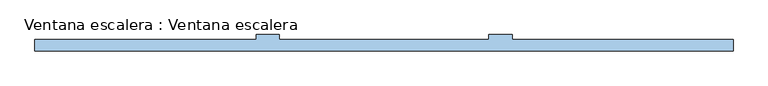
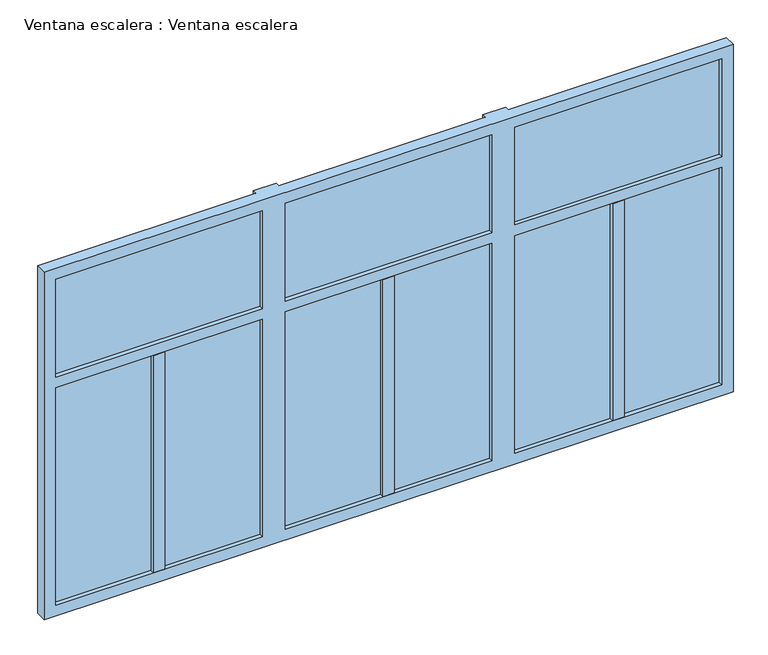
"""IFC4 building model written with IfcOpenShell, lengths in millimetres: window geometry, Ventana escalera : Ventana escalera."""

import ifcopenshell
import ifcopenshell.guid

model = None  # the IFC model being written
_history = None  # IfcOwnerHistory: only IFC2X3 demands one
_inside = {}  # id of a spatial element -> (the spatial element, [elements in it])
_under = {}  # id of a project, library or spatial element -> (it, [spatial elements below it])
_declared = {}  # id of a project -> (the project, [libraries it declares])
_typed = {}  # id of a type object -> (the type object, [elements of that type])
_made_of = {}  # id of a material, layer set ... -> (it, [elements and type objects made of it])


def new_model(schema):
    """Start an empty IFC model of exactly this schema.

    Asked for "IFC4X3", IfcOpenShell would pick the latest addendum, in which some entities
    have other attributes; the version numbers below select the first issue.
    IFC2X3 requires an IfcOwnerHistory on every rooted entity: one is made here for all.
    """
    global model, _history
    if schema == "IFC4X3":
        model = ifcopenshell.file(schema_version=(4, 3, 0, 0))
    else:
        model = ifcopenshell.file(schema=schema)
    _inside.clear()
    _under.clear()
    _declared.clear()
    _typed.clear()
    _made_of.clear()
    _history = None
    if model.schema == "IFC2X3":
        org = make("IfcOrganization", Name="unknown")
        user = make(
            "IfcPersonAndOrganization",
            ThePerson=make("IfcPerson", FamilyName="unknown"),
            TheOrganization=org,
        )
        app = make(
            "IfcApplication",
            ApplicationDeveloper=org,
            Version="unknown",
            ApplicationFullName="unknown",
            ApplicationIdentifier="unknown",
        )
        _history = make(
            "IfcOwnerHistory",
            OwningUser=user,
            OwningApplication=app,
            ChangeAction="ADDED",
            CreationDate=0,
        )
    return model


def make(cls, **values):
    """One entity of the class cls with the attributes given. An attribute that is None is left unset."""
    return model.create_entity(
        cls, **{name: value for name, value in values.items() if value is not None}
    )


def rooted(cls, **values):
    """An entity with a GlobalId (a new one), such as an element, a storey or a relation."""
    return make(cls, GlobalId=ifcopenshell.guid.new(), OwnerHistory=_history, **values)


def si_unit(unit_type, name, prefix=None):
    """IfcSIUnit, for example si_unit("LENGTHUNIT", "METRE", prefix="MILLI")."""
    return make("IfcSIUnit", UnitType=unit_type, Prefix=prefix, Name=name)


def assignment(units):
    """IfcUnitAssignment: the units of a project."""
    return None if units is None else make("IfcUnitAssignment", Units=units)


def point(xyz):
    """IfcCartesianPoint."""
    return None if xyz is None else make("IfcCartesianPoint", Coordinates=xyz)


def direction(xyz):
    """IfcDirection."""
    return None if xyz is None else make("IfcDirection", DirectionRatios=xyz)


def frame(location, z_axis=None, x_axis=None):
    """IfcAxis2Placement3D, a coordinate frame: its origin and axes. An axis left out is left unset."""
    return make(
        "IfcAxis2Placement3D",
        Location=point(location),
        Axis=direction(z_axis),
        RefDirection=direction(x_axis),
    )


def origin():
    """The frame at (0, 0, 0) with its axes left unset."""
    return frame((0.0, 0.0, 0.0))


def place(relative_to, where):
    """IfcLocalPlacement: puts the frame where relative to a parent placement (None: the world)."""
    return make(
        "IfcLocalPlacement", PlacementRelTo=relative_to, RelativePlacement=where
    )


def context(
    kind, dimensions, precision=None, world=None, true_north=None, identifier=None
):
    """IfcGeometricRepresentationContext, for example the 3D "Model" context."""
    return make(
        "IfcGeometricRepresentationContext",
        ContextIdentifier=identifier,
        ContextType=kind,
        CoordinateSpaceDimension=dimensions,
        Precision=precision,
        WorldCoordinateSystem=world,
        TrueNorth=true_north,
    )


def project(units=None, contexts=None):
    """IfcProject with its units and contexts."""
    return rooted(
        "IfcProject",
        Name="project",
        RepresentationContexts=contexts,
        UnitsInContext=assignment(units),
    )


def spatial(cls, under=None, at=None, **own):
    """A site, building, storey or space (cls), placed at a placement, below another one or the project."""
    s = rooted(cls, ObjectPlacement=at, **own)
    if under is not None:
        _under.setdefault(under.id(), (under, []))[1].append(s)
    return s


def polyline(points):
    """IfcPolyline through the points."""
    return make("IfcPolyline", Points=[point(p) for p in points])


def outline(outer, holes=None, kind="AREA"):
    """IfcArbitraryClosedProfileDef: a profile drawn as a closed curve; with holes, ...WithVoids."""
    if holes is None:
        return make("IfcArbitraryClosedProfileDef", ProfileType=kind, OuterCurve=outer)
    return make(
        "IfcArbitraryProfileDefWithVoids",
        ProfileType=kind,
        OuterCurve=outer,
        InnerCurves=holes,
    )


def extrude(swept, where, along, depth):
    """IfcExtrudedAreaSolid: the profile swept, set in the frame where, extruded along a direction by depth."""
    return make(
        "IfcExtrudedAreaSolid",
        SweptArea=swept,
        Position=where,
        ExtrudedDirection=direction(along),
        Depth=depth,
    )


def faces_of(points, faces, orient=None, outer=None):
    """IfcFace entities. A face is a list of loops; a loop is a list of indices into points, from 0.

    orient and outer hold one flag for each loop. By default every Orientation is true, the
    first loop of a face is its IfcFaceOuterBound and the others are IfcFaceBound.
    """
    made = []
    for i, loops in enumerate(faces):
        bounds = []
        for j, loop in enumerate(loops):
            is_outer = j == 0 if outer is None else outer[i][j]
            bounds.append(
                make(
                    "IfcFaceOuterBound" if is_outer else "IfcFaceBound",
                    Bound=make("IfcPolyLoop", Polygon=[points[k] for k in loop]),
                    Orientation=True if orient is None else orient[i][j],
                )
            )
        made.append(make("IfcFace", Bounds=bounds))
    return made


def faceted_brep(points, faces, orient=None, outer=None, voids=None):
    """IfcFacetedBrep: a solid bounded by flat faces; with voids (closed shells), ...WithVoids."""
    shared = [point(p) for p in points]
    hull = make("IfcClosedShell", CfsFaces=faces_of(shared, faces, orient, outer))
    if voids is None:
        return make("IfcFacetedBrep", Outer=hull)
    return make(
        "IfcFacetedBrepWithVoids",
        Outer=hull,
        Voids=[
            make(cls, CfsFaces=faces_of(shared, fs, o, b)) for cls, fs, o, b in voids
        ],
    )


def shape(context_of_items, identifier, shape_type, items):
    """IfcShapeRepresentation: the items that make up one representation, for example the "Body"."""
    return make(
        "IfcShapeRepresentation",
        ContextOfItems=context_of_items,
        RepresentationIdentifier=identifier,
        RepresentationType=shape_type,
        Items=items,
    )


def source(mapping_origin, context_of_items, identifier, shape_type, items):
    """IfcRepresentationMap: a shape defined once, which mapped items show again and again."""
    return make(
        "IfcRepresentationMap",
        MappingOrigin=mapping_origin,
        MappedRepresentation=shape(context_of_items, identifier, shape_type, items),
    )


def transform(
    local_origin,
    x_axis=None,
    y_axis=None,
    z_axis=None,
    scale=None,
    scale2=None,
    scale3=None,
    uniform=True,
):
    """IfcCartesianTransformationOperator3D, or its non-uniform kind. x_axis, y_axis, z_axis: its Axis1, 2, 3."""
    if uniform:
        return make(
            "IfcCartesianTransformationOperator3D",
            Axis1=direction(x_axis),
            Axis2=direction(y_axis),
            LocalOrigin=point(local_origin),
            Scale=scale,
            Axis3=direction(z_axis),
        )
    return make(
        "IfcCartesianTransformationOperator3DnonUniform",
        Axis1=direction(x_axis),
        Axis2=direction(y_axis),
        LocalOrigin=point(local_origin),
        Scale=scale,
        Axis3=direction(z_axis),
        Scale2=scale2,
        Scale3=scale3,
    )


def mapped(mapping_source, mapping_target):
    """IfcMappedItem: shows the shape of a source again, moved by a transform."""
    return make(
        "IfcMappedItem", MappingSource=mapping_source, MappingTarget=mapping_target
    )


def made_of(thing, what):
    """Note that an element or type object is made of a material, layer set ...; save() writes the relation."""
    if what is not None:
        _made_of.setdefault(what.id(), (what, []))[1].append(thing)
    return thing


def element(
    cls,
    number,
    at=None,
    inside=None,
    cuts=None,
    type_object=None,
    material=None,
    context=None,
    identifier="Body",
    shape_type=None,
    held_by="IfcProductDefinitionShape",
    body=None,
    shapes=None,
    **own,
):
    """One element of the class cls, such as IfcWall. Its Tag is "e" and its number.

    at: its placement. inside: the storey or other place that contains it. cuts: it is an
    opening in that element (IfcRelVoidsElement). A single representation is given by context,
    identifier, shape_type and body (its items); several are given by shapes. held_by: the class
    of the entity that holds the representations. save() writes the other relations.
    """
    e = rooted(cls, Tag="e%d" % number, ObjectPlacement=at, **own)
    if body is not None:
        shapes = [shape(context, identifier, shape_type, body)]
    if shapes is not None:
        e.Representation = make(held_by, Representations=shapes)
    if inside is not None:
        _inside.setdefault(inside.id(), (inside, []))[1].append(e)
    if cuts is not None:
        rooted(
            "IfcRelVoidsElement", RelatingBuildingElement=cuts, RelatedOpeningElement=e
        )
    if type_object is not None:
        _typed.setdefault(type_object.id(), (type_object, []))[1].append(e)
    return made_of(e, material)


def aggregate(whole, parts):
    """IfcRelAggregates: a whole, such as a stair, and the parts it consists of."""
    return rooted("IfcRelAggregates", RelatingObject=whole, RelatedObjects=parts)


def save(model, path):
    """Write the relations noted so far, then the file.

    IfcRelAggregates (storeys below a building ...), IfcRelContainedInSpatialStructure (elements
    in a storey), IfcRelDefinesByType, IfcRelAssociatesMaterial and IfcRelDeclares: one each for
    every whole, place, type object, material and project.
    """
    for whole, parts in _under.values():
        aggregate(whole, parts)
    for where, things in _inside.values():
        rooted(
            "IfcRelContainedInSpatialStructure",
            RelatedElements=things,
            RelatingStructure=where,
        )
    for kind, things in _typed.values():
        rooted("IfcRelDefinesByType", RelatedObjects=things, RelatingType=kind)
    for what, things in _made_of.values():
        rooted("IfcRelAssociatesMaterial", RelatedObjects=things, RelatingMaterial=what)
    for by, libraries in _declared.values():
        rooted("IfcRelDeclares", RelatingContext=by, RelatedDefinitions=libraries)
    model.write(path)


def ventana_escalera_ventana_escalera_ea8a2618(model_context):
    return source(origin(), model_context, "Body", "SolidModel", [
        extrude(outline(polyline([(-550.0, -93.5), (-550.0, -106.5), (-1450.0, -106.5), (-1450.0, -93.5), (-550.0, -93.5)])), frame((0.0, 0.0, 1850.0), z_axis=(0.0, 0.0, 1.0), x_axis=(1.0, 0.0, 0.0)), (0.0, 0.0, 1.0), 450.0),
        extrude(outline(polyline([(450.0, -93.5), (450.0, -106.5), (-450.0, -106.5), (-450.0, -93.5), (450.0, -93.5)])), frame((0.0, 0.0, 1850.0), z_axis=(0.0, 0.0, 1.0), x_axis=(1.0, 0.0, 0.0)), (0.0, 0.0, 1.0), 450.0),
        extrude(outline(polyline([(1450.0, -93.5), (1450.0, -106.5), (550.0, -106.5), (550.0, -93.5), (1450.0, -93.5)])), frame((0.0, 0.0, 1850.0), z_axis=(0.0, 0.0, 1.0), x_axis=(1.0, 0.0, 0.0)), (0.0, 0.0, 1.0), 450.0),
        extrude(outline(polyline([(1450.0, -93.5), (1450.0, -106.5), (1025.0, -106.5), (1025.0, -93.5), (1450.0, -93.5)])), frame((0.0, 0.0, 800.0), z_axis=(0.0, 0.0, 1.0), x_axis=(1.0, 0.0, 0.0)), (0.0, 0.0, 1.0), 1000.0),
        extrude(outline(polyline([(975.0, -93.5), (975.0, -106.5), (550.0, -106.5), (550.0, -93.5), (975.0, -93.5)])), frame((0.0, 0.0, 800.0), z_axis=(0.0, 0.0, 1.0), x_axis=(1.0, 0.0, 0.0)), (0.0, 0.0, 1.0), 1000.0),
        extrude(outline(polyline([(450.0, -93.5), (450.0, -106.5), (25.0, -106.5), (25.0, -93.5), (450.0, -93.5)])), frame((0.0, 0.0, 800.0), z_axis=(0.0, 0.0, 1.0), x_axis=(1.0, 0.0, 0.0)), (0.0, 0.0, 1.0), 1000.0),
        extrude(outline(polyline([(-25.0, -93.5), (-25.0, -106.5), (-450.0, -106.5), (-450.0, -93.5), (-25.0, -93.5)])), frame((0.0, 0.0, 800.0), z_axis=(0.0, 0.0, 1.0), x_axis=(1.0, 0.0, 0.0)), (0.0, 0.0, 1.0), 1000.0),
        extrude(outline(polyline([(-550.0, -93.5), (-550.0, -106.5), (-975.0, -106.5), (-975.0, -93.5), (-550.0, -93.5)])), frame((0.0, 0.0, 800.0), z_axis=(0.0, 0.0, 1.0), x_axis=(1.0, 0.0, 0.0)), (0.0, 0.0, 1.0), 1000.0),
        extrude(outline(polyline([(-1025.0, -93.5), (-1025.0, -106.5), (-1450.0, -106.5), (-1450.0, -93.5), (-1025.0, -93.5)])), frame((0.0, 0.0, 800.0), z_axis=(0.0, 0.0, 1.0), x_axis=(1.0, 0.0, 0.0)), (0.0, 0.0, 1.0), 1000.0),
        extrude(outline(polyline([(975.0, -125.0), (975.0, -75.0), (1025.0, -75.0), (1025.0, -125.0), (975.0, -125.0)])), frame((0.0, 0.0, 800.0), z_axis=(0.0, 0.0, 1.0), x_axis=(1.0, 0.0, 0.0)), (0.0, 0.0, 1.0), 1000.0),
        extrude(outline(polyline([(-25.0, -125.0), (-25.0, -75.0), (25.0, -75.0), (25.0, -125.0), (-25.0, -125.0)])), frame((0.0, 0.0, 800.0), z_axis=(0.0, 0.0, 1.0), x_axis=(1.0, 0.0, 0.0)), (0.0, 0.0, 1.0), 1000.0),
        extrude(outline(polyline([(-1025.0, -125.0), (-1025.0, -75.0), (-975.0, -75.0), (-975.0, -125.0), (-1025.0, -125.0)])), frame((0.0, 0.0, 800.0), z_axis=(0.0, 0.0, 1.0), x_axis=(1.0, 0.0, 0.0)), (0.0, 0.0, 1.0), 1000.0),
        faceted_brep([(1500.0, -125.0, 2350.0), (1500.0, -125.0, 750.0), (1500.0, -75.0, 750.0), (1500.0, -75.0, 2350.0), (1450.0, -125.0, 800.0), (1450.0, -125.0, 1800.0), (1450.0, -75.0, 1800.0), (1450.0, -75.0, 800.0), (1450.0, -75.0, 2300.0), (1450.0, -75.0, 1850.0), (1450.0, -125.0, 1850.0), (1450.0, -125.0, 2300.0), (-1450.0, -125.0, 800.0), (-550.0, -125.0, 800.0), (-550.0, -75.0, 800.0), (-1450.0, -75.0, 800.0), (450.0, -125.0, 800.0), (450.0, -75.0, 800.0), (-450.0, -75.0, 800.0), (-450.0, -125.0, 800.0), (550.0, -75.0, 800.0), (550.0, -125.0, 800.0), (-1500.0, -125.0, 750.0), (-1500.0, -125.0, 2350.0), (-1500.0, -75.0, 2350.0), (-1500.0, -75.0, 750.0), (-1450.0, -125.0, 2300.0), (-1450.0, -125.0, 1850.0), (-1450.0, -75.0, 1850.0), (-1450.0, -75.0, 2300.0), (-1450.0, -75.0, 1800.0), (-1450.0, -125.0, 1800.0), (550.0, -125.0, 2300.0), (550.0, -75.0, 2300.0), (-550.0, -75.0, 2300.0), (-550.0, -125.0, 2300.0), (-450.0, -125.0, 2300.0), (-450.0, -75.0, 2300.0), (450.0, -75.0, 2300.0), (450.0, -125.0, 2300.0), (-550.0, -55.0, 750.0), (-550.0, -75.0, 750.0), (-550.0, -125.0, 1800.0), (-550.0, -75.0, 1800.0), (-550.0, -75.0, 1850.0), (-550.0, -125.0, 1850.0), (-550.0, -75.0, 2350.0), (-550.0, -55.0, 2350.0), (-450.0, -55.0, 2350.0), (-450.0, -55.0, 750.0), (-450.0, -75.0, 2350.0), (-450.0, -125.0, 1850.0), (-450.0, -75.0, 1850.0), (-450.0, -75.0, 1800.0), (-450.0, -125.0, 1800.0), (-450.0, -75.0, 750.0), (450.0, -125.0, 1800.0), (550.0, -125.0, 1800.0), (450.0, -125.0, 1850.0), (550.0, -125.0, 1850.0), (450.0, -75.0, 1850.0), (550.0, -75.0, 1850.0), (450.0, -75.0, 1800.0), (550.0, -75.0, 1800.0), (450.0, -55.0, 750.0), (450.0, -75.0, 750.0), (450.0, -75.0, 2350.0), (450.0, -55.0, 2350.0), (550.0, -55.0, 2350.0), (550.0, -75.0, 2350.0), (550.0, -75.0, 750.0), (550.0, -55.0, 750.0)], [[[0, 1, 2, 3]], [[4, 5, 6, 7]], [[8, 9, 10, 11]], [[12, 13, 14, 15]], [[16, 17, 18, 19]], [[7, 20, 21, 4]], [[22, 23, 24, 25]], [[26, 27, 28, 29]], [[15, 30, 31, 12]], [[11, 32, 33, 8]], [[29, 34, 35, 26]], [[36, 37, 38, 39]], [[40, 41, 14, 13, 42, 43, 44, 45, 35, 34, 46, 47]], [[48, 49, 40, 47]], [[48, 50, 37, 36, 51, 52, 53, 54, 19, 18, 55, 49]], [[23, 22, 1, 0], [54, 56, 16, 19], [57, 5, 4, 21], [45, 27, 26, 35], [58, 51, 36, 39], [42, 13, 12, 31], [59, 32, 11, 10]], [[45, 44, 28, 27]], [[51, 58, 60, 52]], [[10, 9, 61, 59]], [[53, 62, 56, 54]], [[31, 30, 43, 42]], [[57, 63, 6, 5]], [[64, 65, 17, 16, 56, 62, 60, 58, 39, 38, 66, 67]], [[68, 69, 33, 32, 59, 61, 63, 57, 21, 20, 70, 71]], [[3, 69, 68, 67, 66, 50, 48, 47, 46, 24, 23, 0]], [[1, 22, 25, 41, 40, 49, 55, 65, 64, 71, 70, 2]], [[52, 60, 62, 53]], [[9, 8, 33, 69, 3, 2, 70, 20, 7, 6, 63, 61]], [[44, 43, 30, 15, 14, 41, 25, 24, 46, 34, 29, 28]], [[55, 18, 17, 65]], [[66, 38, 37, 50]], [[68, 71, 64, 67]]]),
    ])


if __name__ == "__main__":
    model = new_model("IFC4")
    model_context = context("Model", 3, world=origin())
    ifc_project = project(units=[si_unit("LENGTHUNIT", "METRE", prefix="MILLI")], contexts=[model_context])
    site = spatial("IfcSite", under=ifc_project)
    building = spatial("IfcBuilding", under=site)
    placement = place(None, origin())
    ventana_escalera_ventana_escalera_shape = ventana_escalera_ventana_escalera_ea8a2618(model_context)
    element("IfcWindow", 1, ObjectType="Ventana escalera : Ventana escalera", at=placement, inside=building, context=model_context, shape_type="MappedRepresentation", body=[
        mapped(ventana_escalera_ventana_escalera_shape, transform((0.0, 0.0, 0.0), x_axis=(1.0, 0.0, 0.0), y_axis=(0.0, 1.0, 0.0), z_axis=(0.0, 0.0, 1.0))),
    ])
    save(model, "model.ifc")
